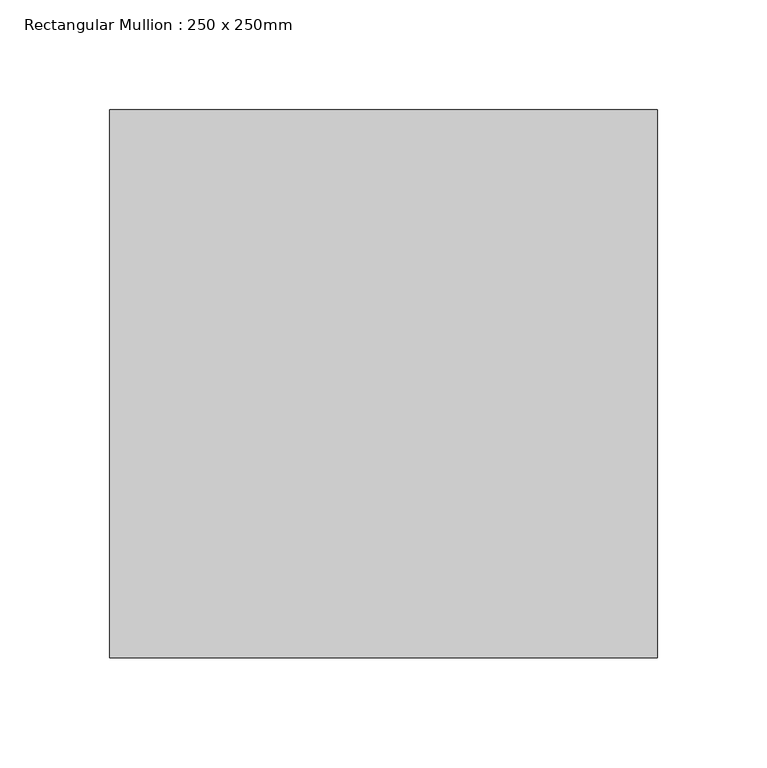
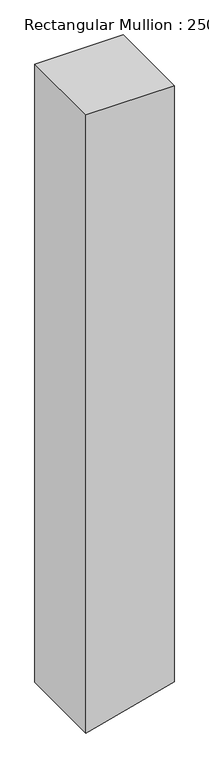
"""IFC4 building model written with IfcOpenShell, lengths in millimetres: member geometry, Rectangular Mullion : 250 x 250mm."""

from ifc_helpers import new_model, si_unit, frame, origin, place, context, project, spatial, polyline, outline, extrude, source, transform, mapped, element, save


def rectangular_mullion_250_x_250mm_7c28f97c(model_context):
    return source(origin(), model_context, "Body", "SweptSolid", [
        extrude(outline(polyline([(0.0, 125.0), (0.0, -125.0), (-1852.5238927, -125.0), (-1836.3678322, -64.7047613), (-1785.5365946, 125.0), (0.0, 125.0)])), frame((0.0, -125.0, 0.0), z_axis=(0.0, 1.0, 0.0), x_axis=(0.0, 0.0, 1.0)), (0.0, 0.0, 1.0), 250.0),
    ])


if __name__ == "__main__":
    model = new_model("IFC4")
    model_context = context("Model", 3, world=origin())
    ifc_project = project(units=[si_unit("LENGTHUNIT", "METRE", prefix="MILLI")], contexts=[model_context])
    site = spatial("IfcSite", under=ifc_project)
    building = spatial("IfcBuilding", under=site)
    placement = place(None, origin())
    rectangular_mullion_250_x_250mm_shape = rectangular_mullion_250_x_250mm_7c28f97c(model_context)
    element("IfcMember", 1, ObjectType="Rectangular Mullion : 250 x 250mm", at=placement, inside=building, context=model_context, shape_type="MappedRepresentation", body=[
        mapped(rectangular_mullion_250_x_250mm_shape, transform((0.0, 0.0, 0.0), x_axis=(1.0, 0.0, 0.0), y_axis=(0.0, 1.0, 0.0), z_axis=(0.0, 0.0, 1.0))),
    ])
    save(model, "model.ifc")
